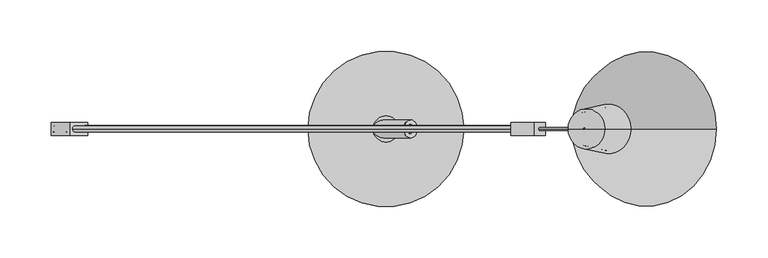
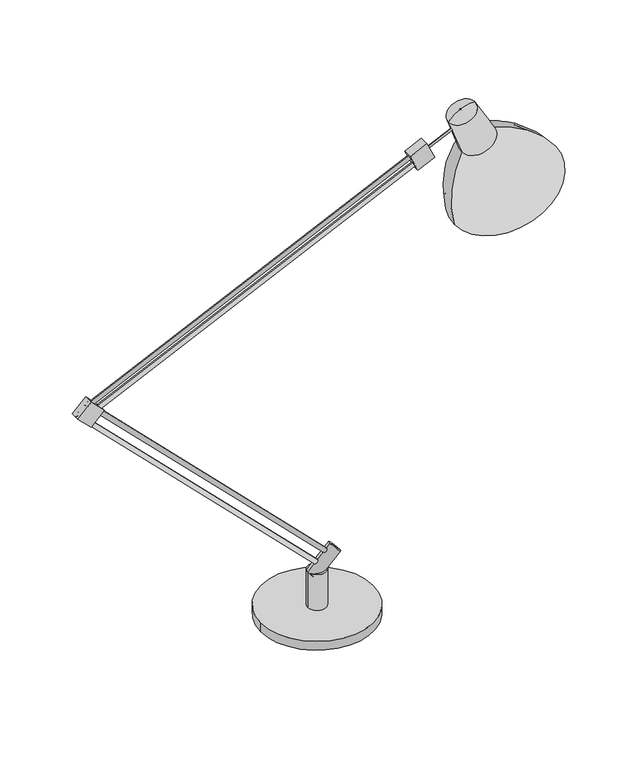
"""IFC4 building model written with IfcOpenShell, lengths in millimetres: light fixture geometry."""

import ifcopenshell
import ifcopenshell.guid

model = None  # the IFC model being written
_history = None  # IfcOwnerHistory: only IFC2X3 demands one
_inside = {}  # id of a spatial element -> (the spatial element, [elements in it])
_under = {}  # id of a project, library or spatial element -> (it, [spatial elements below it])
_declared = {}  # id of a project -> (the project, [libraries it declares])
_typed = {}  # id of a type object -> (the type object, [elements of that type])
_made_of = {}  # id of a material, layer set ... -> (it, [elements and type objects made of it])


def new_model(schema):
    """Start an empty IFC model of exactly this schema.

    Asked for "IFC4X3", IfcOpenShell would pick the latest addendum, in which some entities
    have other attributes; the version numbers below select the first issue.
    IFC2X3 requires an IfcOwnerHistory on every rooted entity: one is made here for all.
    """
    global model, _history
    if schema == "IFC4X3":
        model = ifcopenshell.file(schema_version=(4, 3, 0, 0))
    else:
        model = ifcopenshell.file(schema=schema)
    _inside.clear()
    _under.clear()
    _declared.clear()
    _typed.clear()
    _made_of.clear()
    _history = None
    if model.schema == "IFC2X3":
        org = make("IfcOrganization", Name="unknown")
        user = make(
            "IfcPersonAndOrganization",
            ThePerson=make("IfcPerson", FamilyName="unknown"),
            TheOrganization=org,
        )
        app = make(
            "IfcApplication",
            ApplicationDeveloper=org,
            Version="unknown",
            ApplicationFullName="unknown",
            ApplicationIdentifier="unknown",
        )
        _history = make(
            "IfcOwnerHistory",
            OwningUser=user,
            OwningApplication=app,
            ChangeAction="ADDED",
            CreationDate=0,
        )
    return model


def make(cls, **values):
    """One entity of the class cls with the attributes given. An attribute that is None is left unset."""
    return model.create_entity(
        cls, **{name: value for name, value in values.items() if value is not None}
    )


def rooted(cls, **values):
    """An entity with a GlobalId (a new one), such as an element, a storey or a relation."""
    return make(cls, GlobalId=ifcopenshell.guid.new(), OwnerHistory=_history, **values)


def si_unit(unit_type, name, prefix=None):
    """IfcSIUnit, for example si_unit("LENGTHUNIT", "METRE", prefix="MILLI")."""
    return make("IfcSIUnit", UnitType=unit_type, Prefix=prefix, Name=name)


def assignment(units):
    """IfcUnitAssignment: the units of a project."""
    return None if units is None else make("IfcUnitAssignment", Units=units)


def point(xyz):
    """IfcCartesianPoint."""
    return None if xyz is None else make("IfcCartesianPoint", Coordinates=xyz)


def direction(xyz):
    """IfcDirection."""
    return None if xyz is None else make("IfcDirection", DirectionRatios=xyz)


def frame(location, z_axis=None, x_axis=None):
    """IfcAxis2Placement3D, a coordinate frame: its origin and axes. An axis left out is left unset."""
    return make(
        "IfcAxis2Placement3D",
        Location=point(location),
        Axis=direction(z_axis),
        RefDirection=direction(x_axis),
    )


def frame_2d(location, x_axis=None):
    """IfcAxis2Placement2D, a coordinate frame in the plane: its origin and x axis."""
    return make(
        "IfcAxis2Placement2D", Location=point(location), RefDirection=direction(x_axis)
    )


def origin():
    """The frame at (0, 0, 0) with its axes left unset."""
    return frame((0.0, 0.0, 0.0))


def origin_with_axes():
    """The frame at (0, 0, 0) with the z axis (0, 0, 1) and the x axis (1, 0, 0) written out."""
    return frame((0.0, 0.0, 0.0), z_axis=(0.0, 0.0, 1.0), x_axis=(1.0, 0.0, 0.0))


def origin_2d():
    """The frame at (0, 0) in the plane with its x axis left unset."""
    return frame_2d((0.0, 0.0))


def place(relative_to, where):
    """IfcLocalPlacement: puts the frame where relative to a parent placement (None: the world)."""
    return make(
        "IfcLocalPlacement", PlacementRelTo=relative_to, RelativePlacement=where
    )


def context(
    kind, dimensions, precision=None, world=None, true_north=None, identifier=None
):
    """IfcGeometricRepresentationContext, for example the 3D "Model" context."""
    return make(
        "IfcGeometricRepresentationContext",
        ContextIdentifier=identifier,
        ContextType=kind,
        CoordinateSpaceDimension=dimensions,
        Precision=precision,
        WorldCoordinateSystem=world,
        TrueNorth=true_north,
    )


def project(units=None, contexts=None):
    """IfcProject with its units and contexts."""
    return rooted(
        "IfcProject",
        Name="project",
        RepresentationContexts=contexts,
        UnitsInContext=assignment(units),
    )


def spatial(cls, under=None, at=None, **own):
    """A site, building, storey or space (cls), placed at a placement, below another one or the project."""
    s = rooted(cls, ObjectPlacement=at, **own)
    if under is not None:
        _under.setdefault(under.id(), (under, []))[1].append(s)
    return s


def polyline(points):
    """IfcPolyline through the points."""
    return make("IfcPolyline", Points=[point(p) for p in points])


def circle_curve(where, radius):
    """IfcCircle in the frame where."""
    return make("IfcCircle", Position=where, Radius=radius)


def ellipse_curve(where, semi_axis1, semi_axis2):
    """IfcEllipse in the frame where."""
    return make(
        "IfcEllipse", Position=where, SemiAxis1=semi_axis1, SemiAxis2=semi_axis2
    )


def trimmed(basis, trim1, trim2, sense, master):
    """IfcTrimmedCurve: the piece of a basis curve between two trims."""
    return make(
        "IfcTrimmedCurve",
        BasisCurve=basis,
        Trim1=trim1,
        Trim2=trim2,
        SenseAgreement=sense,
        MasterRepresentation=master,
    )


def segment(curve, same_sense, transition):
    """IfcCompositeCurveSegment."""
    return make(
        "IfcCompositeCurveSegment",
        Transition=transition,
        SameSense=same_sense,
        ParentCurve=curve,
    )


def composite_curve(segments, self_intersect=None):
    """IfcCompositeCurve: segments joined end to end."""
    return make("IfcCompositeCurve", Segments=segments, SelfIntersect=self_intersect)


def outline(outer, holes=None, kind="AREA"):
    """IfcArbitraryClosedProfileDef: a profile drawn as a closed curve; with holes, ...WithVoids."""
    if holes is None:
        return make("IfcArbitraryClosedProfileDef", ProfileType=kind, OuterCurve=outer)
    return make(
        "IfcArbitraryProfileDefWithVoids",
        ProfileType=kind,
        OuterCurve=outer,
        InnerCurves=holes,
    )


def extrude(swept, where, along, depth):
    """IfcExtrudedAreaSolid: the profile swept, set in the frame where, extruded along a direction by depth."""
    return make(
        "IfcExtrudedAreaSolid",
        SweptArea=swept,
        Position=where,
        ExtrudedDirection=direction(along),
        Depth=depth,
    )


def shape(context_of_items, identifier, shape_type, items):
    """IfcShapeRepresentation: the items that make up one representation, for example the "Body"."""
    return make(
        "IfcShapeRepresentation",
        ContextOfItems=context_of_items,
        RepresentationIdentifier=identifier,
        RepresentationType=shape_type,
        Items=items,
    )


def source(mapping_origin, context_of_items, identifier, shape_type, items):
    """IfcRepresentationMap: a shape defined once, which mapped items show again and again."""
    return make(
        "IfcRepresentationMap",
        MappingOrigin=mapping_origin,
        MappedRepresentation=shape(context_of_items, identifier, shape_type, items),
    )


def transform(
    local_origin,
    x_axis=None,
    y_axis=None,
    z_axis=None,
    scale=None,
    scale2=None,
    scale3=None,
    uniform=True,
):
    """IfcCartesianTransformationOperator3D, or its non-uniform kind. x_axis, y_axis, z_axis: its Axis1, 2, 3."""
    if uniform:
        return make(
            "IfcCartesianTransformationOperator3D",
            Axis1=direction(x_axis),
            Axis2=direction(y_axis),
            LocalOrigin=point(local_origin),
            Scale=scale,
            Axis3=direction(z_axis),
        )
    return make(
        "IfcCartesianTransformationOperator3DnonUniform",
        Axis1=direction(x_axis),
        Axis2=direction(y_axis),
        LocalOrigin=point(local_origin),
        Scale=scale,
        Axis3=direction(z_axis),
        Scale2=scale2,
        Scale3=scale3,
    )


def mapped(mapping_source, mapping_target):
    """IfcMappedItem: shows the shape of a source again, moved by a transform."""
    return make(
        "IfcMappedItem", MappingSource=mapping_source, MappingTarget=mapping_target
    )


def made_of(thing, what):
    """Note that an element or type object is made of a material, layer set ...; save() writes the relation."""
    if what is not None:
        _made_of.setdefault(what.id(), (what, []))[1].append(thing)
    return thing


def element(
    cls,
    number,
    at=None,
    inside=None,
    cuts=None,
    type_object=None,
    material=None,
    context=None,
    identifier="Body",
    shape_type=None,
    held_by="IfcProductDefinitionShape",
    body=None,
    shapes=None,
    **own,
):
    """One element of the class cls, such as IfcWall. Its Tag is "e" and its number.

    at: its placement. inside: the storey or other place that contains it. cuts: it is an
    opening in that element (IfcRelVoidsElement). A single representation is given by context,
    identifier, shape_type and body (its items); several are given by shapes. held_by: the class
    of the entity that holds the representations. save() writes the other relations.
    """
    e = rooted(cls, Tag="e%d" % number, ObjectPlacement=at, **own)
    if body is not None:
        shapes = [shape(context, identifier, shape_type, body)]
    if shapes is not None:
        e.Representation = make(held_by, Representations=shapes)
    if inside is not None:
        _inside.setdefault(inside.id(), (inside, []))[1].append(e)
    if cuts is not None:
        rooted(
            "IfcRelVoidsElement", RelatingBuildingElement=cuts, RelatedOpeningElement=e
        )
    if type_object is not None:
        _typed.setdefault(type_object.id(), (type_object, []))[1].append(e)
    return made_of(e, material)


def aggregate(whole, parts):
    """IfcRelAggregates: a whole, such as a stair, and the parts it consists of."""
    return rooted("IfcRelAggregates", RelatingObject=whole, RelatedObjects=parts)


def save(model, path):
    """Write the relations noted so far, then the file.

    IfcRelAggregates (storeys below a building ...), IfcRelContainedInSpatialStructure (elements
    in a storey), IfcRelDefinesByType, IfcRelAssociatesMaterial and IfcRelDeclares: one each for
    every whole, place, type object, material and project.
    """
    for whole, parts in _under.values():
        aggregate(whole, parts)
    for where, things in _inside.values():
        rooted(
            "IfcRelContainedInSpatialStructure",
            RelatedElements=things,
            RelatingStructure=where,
        )
    for kind, things in _typed.values():
        rooted("IfcRelDefinesByType", RelatedObjects=things, RelatingType=kind)
    for what, things in _made_of.values():
        rooted("IfcRelAssociatesMaterial", RelatedObjects=things, RelatingMaterial=what)
    for by, libraries in _declared.values():
        rooted("IfcRelDeclares", RelatingContext=by, RelatedDefinitions=libraries)
    model.write(path)


def plane_surface(at):
    """IfcPlane: the flat surface through the origin of the frame at, square to its z axis."""
    return make("IfcPlane", Position=at)


def cylinder_surface(at, radius):
    """IfcCylindricalSurface: all points at the distance radius from the z axis of the frame at."""
    return make("IfcCylindricalSurface", Position=at, Radius=radius)


def revolved_surface(curve, axis_point, axis_direction):
    """IfcSurfaceOfRevolution: the curve turned about the line through axis_point along axis_direction."""
    return make(
        "IfcSurfaceOfRevolution",
        SweptCurve=make("IfcArbitraryOpenProfileDef", ProfileType="CURVE", Curve=curve),
        AxisPosition=make("IfcAxis1Placement", Location=point(axis_point), Axis=direction(axis_direction)),
    )


def advanced_brep(points, edges, surfaces, faces):
    """IfcAdvancedBrep: a solid bounded by faces that lie on surfaces and meet in shared edges.

    An edge is (start, end): straight between two places in points (the first is 0);
    or (start, end, curve); or (start, end, curve, False) where it runs against its curve.
    A face is (place in surfaces, loops), or (place, loops, False) where it looks against
    its surface's normal. A loop lists edges by number (the first is 1), with a minus sign
    where the edge is run from its end to its start. The first loop is the outer one.
    """
    corners = [point(p) for p in points]
    vertices = [make("IfcVertexPoint", VertexGeometry=c) for c in corners]
    made = []
    for start, end, *more in edges:
        made.append(
            make(
                "IfcEdgeCurve",
                EdgeStart=vertices[start],
                EdgeEnd=vertices[end],
                EdgeGeometry=more[0] if more else make("IfcPolyline", Points=[corners[start], corners[end]]),
                SameSense=more[1] if len(more) > 1 else True,
            )
        )
    hull = []
    for where, loops, *sense in faces:
        bounds = []
        for j, loop in enumerate(loops):
            ring = [make("IfcOrientedEdge", EdgeElement=made[abs(k) - 1], Orientation=k > 0) for k in loop]
            bounds.append(
                make(
                    "IfcFaceOuterBound" if j == 0 else "IfcFaceBound",
                    Bound=make("IfcEdgeLoop", EdgeList=ring),
                    Orientation=True,
                )
            )
        hull.append(make("IfcAdvancedFace", Bounds=bounds, FaceSurface=surfaces[where], SameSense=sense[0] if sense else True))
    return make("IfcAdvancedBrep", Outer=make("IfcClosedShell", CfsFaces=hull))


def light_fixture_4844b612(model_context):
    return source(origin(), model_context, "Body", "SolidModel", [
        advanced_brep(
        [(323.1317321, 0.0, 555.0810324), (186.1348137, 0.0, 491.1983202), (195.9295385, 0.0, 591.5959935), (239.9267246, 0.0, 612.1122183), (321.1881543, 0.0, 553.9589072), (188.2437192, 0.0, 491.965899), (237.1689067, 0.0, 610.5199914), (198.9219463, 0.0, 592.6851409), (211.7689067, 0.0, 654.5140819), (181.547323, 0.0, 640.421526), (195.4961647, 0.0, 651.5995573), (194.2398953, 0.0, 651.0137493), (194.5181424, 0.0, 653.6969331), (193.2618729, 0.0, 653.111125), (213.940532, 0.0, 657.1216244), (178.1539358, 0.0, 640.4340605)],
        [
            (0, 1, circle_curve(frame((254.6332729, 0.0, 523.1396763), z_axis=(-0.4226182617406946, 0.0, 0.9063077870366523), x_axis=(-0.9063077870366523, 0.0, -0.4226182617406946)), 75.5796874)),
            (1, 2, circle_curve(frame((334.1432405, 0.0, 527.4353443), z_axis=(0.0, 1.0, 0.0), x_axis=(1.0, 0.0, 0.0)), 152.3798423)),
            (2, 3, circle_curve(frame((217.9281316, 0.0, 601.8541059), z_axis=(0.4226182617406946, 0.0, -0.9063077870366523), x_axis=(-0.9063077870366523, 0.0, -0.4226182617406946)), 24.2727619)),
            (3, 0, circle_curve(frame((200.2345783, 0.0, 464.9927096), z_axis=(0.0, 1.0, 0.0), x_axis=(-0.6427876096865476, 0.0, -0.7660444431189712)), 152.3798423)),
            (1, 0, circle_curve(frame((254.6332729, 0.0, 523.1396763), z_axis=(-0.4226182617406946, 0.0, 0.9063077870366523), x_axis=(-0.9063077870366523, 0.0, -0.4226182617406946)), 75.5796874)),
            (3, 2, circle_curve(frame((217.9281316, 0.0, 601.8541059), z_axis=(0.4226182617406946, 0.0, -0.9063077870366523), x_axis=(-0.9063077870366523, 0.0, -0.4226182617406946)), 24.2727619)),
            (4, 5, circle_curve(frame((254.7159368, 0.0, 522.9624031), z_axis=(-0.4226182617406946, 0.0, 0.9063077870366523), x_axis=(-0.9063077870366523, 0.0, -0.4226182617406946)), 73.3439771)),
            (5, 1),
            (0, 4),
            (5, 4, circle_curve(frame((254.7159368, 0.0, 522.9624031), z_axis=(-0.4226182617406946, 0.0, 0.9063077870366523), x_axis=(-0.9063077870366523, 0.0, -0.4226182617406946)), 73.3439771)),
            (6, 7, circle_curve(frame((218.0454265, 0.0, 601.6025661), z_axis=(-0.4226182617406946, 0.0, 0.9063077870366523), x_axis=(-0.9063077870366523, 0.0, -0.4226182617406946)), 21.1004258)),
            (7, 5, circle_curve(frame((336.5004074, 0.0, 527.1734369), z_axis=(0.0, -1.0, 0.0), x_axis=(1.0, 0.0, 0.0)), 152.3798423)),
            (4, 6, circle_curve(frame((198.9200533, 0.0, 463.0186641), z_axis=(0.0, -1.0, 0.0), x_axis=(-0.6427876096865476, 0.0, -0.7660444431189712)), 152.3798423)),
            (7, 6, circle_curve(frame((218.0454265, 0.0, 601.6025661), z_axis=(-0.4226182617406946, 0.0, 0.9063077870366523), x_axis=(-0.9063077870366523, 0.0, -0.4226182617406946)), 21.1004258)),
            (8, 9, circle_curve(frame((196.6581149, 0.0, 647.4678039), z_axis=(-0.4226182617406946, 0.0, 0.9063077870366523), x_axis=(-0.9063077870366523, 0.0, -0.4226182617406946)), 16.672914)),
            (9, 7),
            (6, 8),
            (9, 8, circle_curve(frame((196.6581149, 0.0, 647.4678039), z_axis=(-0.4226182617406946, 0.0, 0.9063077870366523), x_axis=(-0.9063077870366523, 0.0, -0.4226182617406946)), 16.672914)),
            (10, 11, circle_curve(frame((194.86803, 0.0, 651.3066533), z_axis=(-0.4226182617406946, 0.0, 0.9063077870366523), x_axis=(-0.9063077870366523, 0.0, -0.4226182617406946)), 0.69307)),
            (11, 9, circle_curve(frame((201.2583854, 0.0, 629.7027384), z_axis=(0.0, -1.0, 0.0), x_axis=(1.0, 0.0, 0.0)), 22.4369871)),
            (8, 10, circle_curve(frame((207.3099477, 0.0, 632.5246282), z_axis=(0.0, -1.0, 0.0), x_axis=(-0.6427876096865476, 0.0, -0.7660444431189712)), 22.4369871)),
            (11, 10, circle_curve(frame((194.86803, 0.0, 651.3066533), z_axis=(-0.4226182617406946, 0.0, 0.9063077870366523), x_axis=(-0.9063077870366523, 0.0, -0.4226182617406946)), 0.69307)),
            (12, 13, circle_curve(frame((193.8900076, 0.0, 653.404029), z_axis=(-0.4226182617406946, 0.0, 0.9063077870366523), x_axis=(-0.9063077870366523, 0.0, -0.4226182617406946)), 0.69307)),
            (13, 11),
            (10, 12),
            (13, 12, circle_curve(frame((193.8900076, 0.0, 653.404029), z_axis=(-0.4226182617406946, 0.0, 0.9063077870366523), x_axis=(-0.9063077870366523, 0.0, -0.4226182617406946)), 0.69307)),
            (14, 15, circle_curve(frame((196.0472339, 0.0, 648.7778424), z_axis=(-0.4226182617406946, 0.0, 0.9063077870366523), x_axis=(-0.9063077870366523, 0.0, -0.4226182617406946)), 19.74307)),
            (15, 13, circle_curve(frame((205.2310579, 0.0, 623.5058043), z_axis=(0.0, 1.0, 0.0), x_axis=(1.0, 0.0, 0.0)), 31.9333118)),
            (12, 14, circle_curve(frame((209.5034899, 0.0, 625.4980721), z_axis=(0.0, 1.0, 0.0), x_axis=(-0.6427876096865476, 0.0, -0.7660444431189712)), 31.9333118)),
            (15, 14, circle_curve(frame((196.0472339, 0.0, 648.7778424), z_axis=(-0.4226182617406946, 0.0, 0.9063077870366523), x_axis=(-0.9063077870366523, 0.0, -0.4226182617406946)), 19.74307)),
            (2, 15),
            (14, 3),
        ],
        [
            revolved_surface(trimmed(ellipse_curve(frame((334.1432405, 0.0, 527.4353443), z_axis=(0.0, -1.0, 0.0), x_axis=(1.0, 0.0, 0.0)), 152.3798423, 152.3798423), [point((195.9295385, 0.0, 591.5959935))], [point((186.1348137, 0.0, 491.1983202))], True, "CARTESIAN"), (147.4850388, 0.0, 752.9198057), (0.4226182617406946, 0.0, -0.9063077870366523)),
            revolved_surface(polyline([(186.1348137, 0.0, 491.1983202), (188.2437192, 0.0, 491.965899)]), (147.4850388, 0.0, 752.9198057), (0.4226182617406946, 0.0, -0.9063077870366523)),
            revolved_surface(trimmed(ellipse_curve(frame((336.5004074, 0.0, 527.1734369), z_axis=(0.0, 1.0, 0.0), x_axis=(1.0, 0.0, 0.0)), 152.3798423, 152.3798423), [point((188.2437192, 0.0, 491.965899))], [point((198.9219463, 0.0, 592.6851409))], True, "CARTESIAN"), (147.4850388, 0.0, 752.9198057), (0.4226182617406946, 0.0, -0.9063077870366523)),
            revolved_surface(polyline([(198.9219463, 0.0, 592.6851409), (181.547323, 0.0, 640.421526)]), (147.4850388, 0.0, 752.9198057), (0.4226182617406946, 0.0, -0.9063077870366523)),
            revolved_surface(trimmed(ellipse_curve(frame((201.2583854, 0.0, 629.7027384), z_axis=(0.0, 1.0, 0.0), x_axis=(1.0, 0.0, 0.0)), 22.4369871, 22.4369871), [point((181.547323, 0.0, 640.421526))], [point((194.2398953, 0.0, 651.0137493))], True, "CARTESIAN"), (147.4850388, 0.0, 752.9198057), (0.4226182617406946, 0.0, -0.9063077870366523)),
            revolved_surface(polyline([(194.23989521535498, 0.0, 651.0137492186036), (193.26187283521244, 0.0, 653.1111249812326)]), (147.4850388, 0.0, 752.9198057), (0.4226182617406946, 0.0, -0.9063077870366523)),
            revolved_surface(trimmed(ellipse_curve(frame((205.2310579, 0.0, 623.5058043), z_axis=(0.0, -1.0, 0.0), x_axis=(1.0, 0.0, 0.0)), 31.9333118, 31.9333118), [point((193.2618729, 0.0, 653.111125))], [point((178.1539358, 0.0, 640.4340605))], True, "CARTESIAN"), (147.4850388, 0.0, 752.9198057), (0.4226182617406946, 0.0, -0.9063077870366523)),
            revolved_surface(polyline([(178.1539358, 0.0, 640.4340605), (195.9295385, 0.0, 591.5959935)]), (147.4850388, 0.0, 752.9198057), (0.4226182617406946, 0.0, -0.9063077870366523)),
        ],
        [
            (0, [[1, 2, 3, 4]]),
            (0, [[5, -4, 6, -2]]),
            (1, [[7, 8, -1, 9]]),
            (1, [[10, -9, -5, -8]]),
            (2, [[11, 12, -7, 13]]),
            (2, [[14, -13, -10, -12]]),
            (3, [[15, 16, -11, 17]]),
            (3, [[18, -17, -14, -16]]),
            (4, [[19, 20, -15, 21]]),
            (4, [[22, -21, -18, -20]]),
            (5, [[23, 24, -19, 25]]),
            (5, [[26, -25, -22, -24]]),
            (6, [[27, 28, -23, 29]]),
            (6, [[30, -29, -26, -28]]),
            (7, [[-3, 31, -27, 32]]),
            (7, [[-6, -32, -30, -31]]),
        ],
    ),
        advanced_brep(
        [(185.4701526, 0.0, 628.751947), (184.1283396, 0.0, 631.6294742), (184.7992461, 0.0, 630.1907106), (150.9398259, 0.0, 612.6501912), (149.5980129, 0.0, 615.5277185), (150.2689194, 0.0, 614.0889548)],
        [
            (0, 1, circle_curve(frame((184.7992461, 0.0, 630.1907106), z_axis=(0.9063077870366512, 0.0, 0.4226182617406969), x_axis=(-0.4226182617406969, 0.0, 0.9063077870366512)), 1.5875)),
            (1, 2),
            (2, 0),
            (1, 0, circle_curve(frame((184.7992461, 0.0, 630.1907106), z_axis=(0.9063077870366512, 0.0, 0.4226182617406969), x_axis=(-0.4226182617406969, 0.0, 0.9063077870366512)), 1.5875)),
            (3, 4, circle_curve(frame((150.2689194, 0.0, 614.0889548), z_axis=(0.9063077870366512, 0.0, 0.4226182617406969), x_axis=(-0.4226182617406969, 0.0, 0.9063077870366512)), 1.5875)),
            (4, 1),
            (0, 3),
            (4, 3, circle_curve(frame((150.2689194, 0.0, 614.0889548), z_axis=(0.9063077870366512, 0.0, 0.4226182617406969), x_axis=(-0.4226182617406969, 0.0, 0.9063077870366512)), 1.5875)),
            (5, 4),
            (3, 5),
        ],
        [
            plane_surface(frame((184.7992461, 0.0, 630.1907106), z_axis=(0.9063077870366512, 0.0, 0.4226182617406969), x_axis=(-0.4226182617406969, 0.0, 0.9063077870366512))),
            cylinder_surface(frame((189.6922676, 0.0, 632.472364), z_axis=(-0.9063077870366512, 0.0, -0.4226182617406969), x_axis=(-0.4226182617406969, 0.0, 0.9063077870366512)), 1.5875),
            plane_surface(frame((150.2689194, 0.0, 614.0889548), z_axis=(-0.9063077870366512, 0.0, -0.4226182617406969), x_axis=(-0.4226182617406969, 0.0, 0.9063077870366512))),
        ],
        [
            (0, [[1, 2, 3]]),
            (0, [[4, -3, -2]]),
            (1, [[5, 6, -1, 7]]),
            (1, [[8, -7, -4, -6]]),
            (2, [[9, -5, 10]]),
            (2, [[-10, -8, -9]]),
        ],
    ),
        extrude(outline(polyline([(0.0, -25.1467906), (0.0, 0.0), (12.7, 0.0), (12.7, -25.1467906), (0.0, -25.1467906)])), frame((133.1279926, -6.35, 591.3454151), z_axis=(-0.42261826174069506, 0.0, 0.906307787036652), x_axis=(0.0, 1.0, 0.0)), (0.0, 0.0, 1.0), 25.4),
        advanced_brep(
        [(141.620863, 0.0, 602.3121594), (142.9626776, 0.0, 599.4346289), (140.2790485, 0.0, 605.18969), (-297.1050895, 0.0, 401.2341168), (-294.4214605, 0.0, 395.4790558), (-295.763275, 0.0, 398.3565863)],
        [
            (0, 1),
            (1, 2, circle_curve(frame((141.620863, 0.0, 602.3121594), z_axis=(0.9063077870366516, 0.0, 0.42261826174069606), x_axis=(0.42261826174069606, 0.0, -0.9063077870366516)), 3.1750037)),
            (2, 0),
            (2, 1, circle_curve(frame((141.620863, 0.0, 602.3121594), z_axis=(0.9063077870366516, 0.0, 0.42261826174069606), x_axis=(0.42261826174069606, 0.0, -0.9063077870366516)), 3.1750037)),
            (3, 4, circle_curve(frame((-295.763275, 0.0, 398.3565863), z_axis=(-0.9063077870366516, 0.0, -0.42261826174069606), x_axis=(0.42261826174069606, 0.0, -0.9063077870366516)), 3.1750037)),
            (4, 5),
            (5, 3),
            (4, 3, circle_curve(frame((-295.763275, 0.0, 398.3565863), z_axis=(-0.9063077870366516, 0.0, -0.42261826174069606), x_axis=(0.42261826174069606, 0.0, -0.9063077870366516)), 3.1750037)),
            (1, 4),
            (3, 2),
        ],
        [
            plane_surface(frame((141.620863, 0.0, 602.3121594), z_axis=(0.9063077870366516, 0.0, 0.42261826174069606), x_axis=(0.42261826174069606, 0.0, -0.9063077870366516))),
            plane_surface(frame((-295.763275, 0.0, 398.3565863), z_axis=(-0.9063077870366516, 0.0, -0.42261826174069606), x_axis=(0.42261826174069606, 0.0, -0.9063077870366516))),
            cylinder_surface(frame((-295.763275, 0.0, 398.3565863), z_axis=(0.9063077870366516, 0.0, 0.42261826174069606), x_axis=(0.42261826174069606, 0.0, -0.9063077870366516)), 3.1750037),
        ],
        [
            (0, [[1, 2, 3]]),
            (0, [[-3, 4, -1]]),
            (1, [[5, 6, 7]]),
            (1, [[8, -7, -6]]),
            (2, [[-2, 9, -5, 10]]),
            (2, [[-4, -10, -8, -9]]),
        ],
    ),
        advanced_brep(
        [(134.5644626, 0.0, 609.7426468), (132.0426791, 0.0, 615.150629), (133.3035708, 0.0, 612.4466379), (-303.8038477, 0.0, 405.3281466), (-306.3256312, 0.0, 410.7361288), (-304.0805672, 0.0, 408.4910648)],
        [
            (0, 1, circle_curve(frame((133.3035708, 0.0, 612.4466379), z_axis=(0.9063077870366515, 0.0, 0.42261826174069633), x_axis=(-0.42261826174069633, 0.0, 0.9063077870366515)), 2.9835241)),
            (1, 2),
            (2, 0),
            (1, 0, circle_curve(frame((133.3035708, 0.0, 612.4466379), z_axis=(0.9063077870366515, 0.0, 0.42261826174069633), x_axis=(-0.42261826174069633, 0.0, 0.9063077870366515)), 2.9835241)),
            (3, 4, circle_curve(frame((-305.0647395, 0.0, 408.0321377), z_axis=(0.9063077870366515, 0.0, 0.42261826174069633), x_axis=(-0.42261826174069633, 0.0, 0.9063077870366515)), 2.9835241)),
            (4, 1),
            (0, 3),
            (4, 3, circle_curve(frame((-305.0647395, 0.0, 408.0321377), z_axis=(0.9063077870366515, 0.0, 0.42261826174069633), x_axis=(-0.42261826174069633, 0.0, 0.9063077870366515)), 2.9835241)),
            (5, 4),
            (3, 5),
        ],
        [
            plane_surface(frame((133.3035708, 0.0, 612.4466379), z_axis=(0.9063077870366515, 0.0, 0.42261826174069633), x_axis=(-0.42261826174069633, 0.0, 0.9063077870366515))),
            cylinder_surface(frame((-307.9453985, 0.0, 406.6888643), z_axis=(-0.9063077870366515, 0.0, -0.42261826174069633), x_axis=(-0.42261826174069633, 0.0, 0.9063077870366515)), 2.9835241),
            revolved_surface(polyline([(-306.3256312, 0.0, 410.7361288), (-304.0805672, 0.0, 408.4910648)]), (-307.9453985, 0.0, 406.6888643), (-0.9063077870366515, 0.0, -0.42261826174069633)),
        ],
        [
            (0, [[1, 2, 3]]),
            (0, [[4, -3, -2]]),
            (1, [[5, 6, -1, 7]]),
            (1, [[8, -7, -4, -6]]),
            (2, [[9, -5, 10]]),
            (2, [[-10, -8, -9]]),
        ],
    ),
        extrude(outline(polyline([(0.0, -25.3999999), (0.0, 0.0), (12.7, 0.0), (12.7, -25.3999999), (0.0, -25.3999999)])), frame((-327.5068559, -6.35, 395.996329), z_axis=(0.7071067811865582, 0.0, 0.7071067811865369), x_axis=(0.0, 1.0, 0.0)), (0.0, 0.0, 1.0), 25.4),
        advanced_brep(
        [(8.2921221, 0.0, 84.4921221), (12.7822502, 0.0, 88.9822502), (10.5371861, 0.0, 86.7371861), (-315.0856816, 0.0, 407.8699257), (-310.5955535, 0.0, 412.3600538), (-312.8406175, 0.0, 410.1149898)],
        [
            (0, 1, circle_curve(frame((10.5371861, 0.0, 86.7371861), z_axis=(0.7071067811865436, 0.0, -0.7071067811865515), x_axis=(0.7071067811865515, 0.0, 0.7071067811865436)), 3.175)),
            (1, 2),
            (2, 0),
            (1, 0, circle_curve(frame((10.5371861, 0.0, 86.7371861), z_axis=(0.7071067811865436, 0.0, -0.7071067811865515), x_axis=(0.7071067811865515, 0.0, 0.7071067811865436)), 3.175)),
            (3, 4, circle_curve(frame((-312.8406175, 0.0, 410.1149898), z_axis=(0.7071067811865436, 0.0, -0.7071067811865515), x_axis=(0.7071067811865515, 0.0, 0.7071067811865436)), 3.175)),
            (4, 1),
            (0, 3),
            (4, 3, circle_curve(frame((-312.8406175, 0.0, 410.1149898), z_axis=(0.7071067811865436, 0.0, -0.7071067811865515), x_axis=(0.7071067811865515, 0.0, 0.7071067811865436)), 3.175)),
            (5, 4),
            (3, 5),
        ],
        [
            plane_surface(frame((10.5371861, 0.0, 86.7371861), z_axis=(0.7071067811865436, 0.0, -0.7071067811865515), x_axis=(0.7071067811865515, 0.0, 0.7071067811865436))),
            cylinder_surface(frame((13.7727964, 0.0, 83.5015758), z_axis=(-0.7071067811865436, 0.0, 0.7071067811865515), x_axis=(0.7071067811865515, 0.0, 0.7071067811865436)), 3.175),
            plane_surface(frame((-312.8406175, 0.0, 410.1149898), z_axis=(-0.7071067811865436, 0.0, 0.7071067811865515), x_axis=(0.7071067811865515, 0.0, 0.7071067811865436))),
        ],
        [
            (0, [[1, 2, 3]]),
            (0, [[4, -3, -2]]),
            (1, [[5, 6, -1, 7]]),
            (1, [[8, -7, -4, -6]]),
            (2, [[9, -5, 10]]),
            (2, [[-10, -8, -9]]),
        ],
    ),
        advanced_brep(
        [(0.2724925, 0.0, 77.1972367), (-4.2176356, 0.0, 72.7071087), (-327.5068559, 0.0, 395.996329), (-323.0167279, 0.0, 400.4864571), (-1.9725715, 0.0, 74.9521727), (-325.2617919, 0.0, 398.2413931)],
        [
            (0, 1, circle_curve(frame((-1.9725715, 0.0, 74.9521727), z_axis=(-0.70710678118654, 0.0, 0.707106781186555), x_axis=(-0.707106781186555, 0.0, -0.70710678118654)), 3.175)),
            (1, 2),
            (2, 3, circle_curve(frame((-325.2617919, 0.0, 398.2413931), z_axis=(0.70710678118654, 0.0, -0.707106781186555), x_axis=(-0.707106781186555, 0.0, -0.70710678118654)), 3.175)),
            (3, 0),
            (1, 0, circle_curve(frame((-1.9725715, 0.0, 74.9521727), z_axis=(-0.70710678118654, 0.0, 0.707106781186555), x_axis=(-0.707106781186555, 0.0, -0.70710678118654)), 3.175)),
            (3, 2, circle_curve(frame((-325.2617919, 0.0, 398.2413931), z_axis=(0.70710678118654, 0.0, -0.707106781186555), x_axis=(-0.707106781186555, 0.0, -0.70710678118654)), 3.175)),
            (4, 1),
            (0, 4),
            (2, 5),
            (5, 3),
        ],
        [
            cylinder_surface(frame((-1.9725715, 0.0, 74.9521727), z_axis=(0.70710678118654, 0.0, -0.707106781186555), x_axis=(-0.707106781186555, 0.0, -0.70710678118654)), 3.175),
            plane_surface(frame((-1.9725715, 0.0, 74.9521727), z_axis=(0.70710678118654, 0.0, -0.707106781186555), x_axis=(-0.707106781186555, 0.0, -0.70710678118654))),
            plane_surface(frame((-325.2617919, 0.0, 398.2413931), z_axis=(-0.70710678118654, 0.0, 0.707106781186555), x_axis=(-0.707106781186555, 0.0, -0.70710678118654))),
        ],
        [
            (0, [[1, 2, 3, 4]]),
            (0, [[5, -4, 6, -2]]),
            (1, [[7, -1, 8]]),
            (1, [[-8, -5, -7]]),
            (2, [[-3, 9, 10]]),
            (2, [[-6, -10, -9]]),
        ],
    ),
        advanced_brep(
        [(0.0, 0.0, 50.8), (-12.7, 0.0, 63.5), (17.6083644, 0.0, 93.8083644), (30.3083644, 0.0, 81.1083644), (0.0, 0.0, 57.5351921), (-5.9648079, 0.0, 63.5), (26.9407684, 0.0, 84.4759605), (20.9759605, 0.0, 90.4407684)],
        [
            (0, 1, circle_curve(frame((-6.35, 0.0, 57.15), z_axis=(0.7071067811865511, 0.0, 0.707106781186544), x_axis=(-0.707106781186544, 0.0, 0.7071067811865511)), 8.9802561)),
            (1, 2),
            (2, 3, circle_curve(frame((23.9583644, 0.0, 87.4583644), z_axis=(-0.7071067811865511, 0.0, -0.707106781186544), x_axis=(-0.707106781186544, 0.0, 0.7071067811865511)), 8.9802561)),
            (3, 0),
            (1, 0, circle_curve(frame((-6.35, 0.0, 57.15), z_axis=(0.7071067811865511, 0.0, 0.707106781186544), x_axis=(-0.707106781186544, 0.0, 0.7071067811865511)), 8.9802561)),
            (3, 2, circle_curve(frame((23.9583644, 0.0, 87.4583644), z_axis=(-0.7071067811865511, 0.0, -0.707106781186544), x_axis=(-0.707106781186544, 0.0, 0.7071067811865511)), 8.9802561)),
            (4, 5, circle_curve(frame((-2.982404, 0.0, 60.517596), z_axis=(0.7071067811865511, 0.0, 0.707106781186544), x_axis=(-0.707106781186544, 0.0, 0.7071067811865511)), 4.2177561)),
            (5, 1),
            (0, 4),
            (5, 4, circle_curve(frame((-2.982404, 0.0, 60.517596), z_axis=(0.7071067811865511, 0.0, 0.707106781186544), x_axis=(-0.707106781186544, 0.0, 0.7071067811865511)), 4.2177561)),
            (6, 7, circle_curve(frame((23.9583644, 0.0, 87.4583644), z_axis=(0.7071067811865511, 0.0, 0.707106781186544), x_axis=(-0.707106781186544, 0.0, 0.7071067811865511)), 4.2177561)),
            (7, 5),
            (4, 6),
            (7, 6, circle_curve(frame((23.9583644, 0.0, 87.4583644), z_axis=(0.7071067811865511, 0.0, 0.707106781186544), x_axis=(-0.707106781186544, 0.0, 0.7071067811865511)), 4.2177561)),
            (2, 7),
            (6, 3),
        ],
        [
            cylinder_surface(frame((-24.3105122, 0.0, 39.1894878), z_axis=(-0.7071067811865511, 0.0, -0.707106781186544), x_axis=(-0.707106781186544, 0.0, 0.7071067811865511)), 8.9802561),
            revolved_surface(polyline([(-12.7, 0.0, 63.5), (-5.9648079, 0.0, 63.5)]), (-24.3105122, 0.0, 39.1894878), (-0.7071067811865511, 0.0, -0.707106781186544)),
            revolved_surface(polyline([(-5.964807939700805, 0.0, 63.49999993970084), (20.975960510299352, 0.0, 90.44076838970074)]), (-24.3105122, 0.0, 39.1894878), (-0.7071067811865511, 0.0, -0.707106781186544)),
            plane_surface(frame((23.9583644, 0.0, 87.4583644), z_axis=(0.7071067811865511, 0.0, 0.707106781186544), x_axis=(-0.707106781186544, 0.0, 0.7071067811865511))),
        ],
        [
            (0, [[1, 2, 3, 4]]),
            (0, [[5, -4, 6, -2]]),
            (1, [[7, 8, -1, 9]]),
            (1, [[10, -9, -5, -8]]),
            (2, [[11, 12, -7, 13]]),
            (2, [[14, -13, -10, -12]]),
            (3, [[-3, 15, -11, 16]]),
            (3, [[-6, -16, -14, -15]]),
        ],
    ),
        advanced_brep(
        [(12.7, 0.0, 12.7), (-12.7, 0.0, 12.7), (-12.7, 0.0, 63.5), (12.7, 0.0, 63.5), (0.0, 0.0, 12.7), (0.0, 0.0, 63.5)],
        [
            (0, 1, circle_curve(frame((0.0, 0.0, 12.7), z_axis=(0.0, 0.0, 1.0), x_axis=(-1.0, 0.0, 0.0)), 12.7)),
            (1, 2),
            (2, 3, circle_curve(frame((0.0, 0.0, 63.5), z_axis=(0.0, 0.0, -1.0), x_axis=(-1.0, 0.0, 0.0)), 12.7)),
            (3, 0),
            (1, 0, circle_curve(frame((0.0, 0.0, 12.7), z_axis=(0.0, 0.0, 1.0), x_axis=(-1.0, 0.0, 0.0)), 12.7)),
            (3, 2, circle_curve(frame((0.0, 0.0, 63.5), z_axis=(0.0, 0.0, -1.0), x_axis=(-1.0, 0.0, 0.0)), 12.7)),
            (4, 1),
            (0, 4),
            (2, 5),
            (5, 3),
        ],
        [
            cylinder_surface(frame((0.0, 0.0, 215.9), z_axis=(0.0, 0.0, -1.0), x_axis=(-1.0, 0.0, 0.0)), 12.7),
            plane_surface(frame((0.0, 0.0, 12.7), z_axis=(0.0, 0.0, -1.0), x_axis=(-1.0, 0.0, 0.0))),
            plane_surface(frame((0.0, 0.0, 63.5), z_axis=(0.0, 0.0, 1.0), x_axis=(-1.0, 0.0, 0.0))),
        ],
        [
            (0, [[1, 2, 3, 4]]),
            (0, [[5, -4, 6, -2]]),
            (1, [[7, -1, 8]]),
            (1, [[-8, -5, -7]]),
            (2, [[-3, 9, 10]]),
            (2, [[-6, -10, -9]]),
        ],
    ),
        extrude(outline(composite_curve([segment(trimmed(circle_curve(origin_2d(), 76.2), [point((-76.2, 0.0))], [point((76.2, 0.0))], False, "CARTESIAN"), True, "CONTINUOUS"), segment(trimmed(circle_curve(origin_2d(), 76.2), [point((76.2, 0.0))], [point((-76.2, 0.0))], False, "CARTESIAN"), True, "CONTINUOUS")], self_intersect=False)), origin_with_axes(), (0.0, 0.0, 1.0), 12.7),
    ])


if __name__ == "__main__":
    model = new_model("IFC4")
    model_context = context("Model", 3, world=origin())
    ifc_project = project(units=[si_unit("LENGTHUNIT", "METRE", prefix="MILLI")], contexts=[model_context])
    site = spatial("IfcSite", under=ifc_project)
    building = spatial("IfcBuilding", under=site)
    placement = place(None, origin())
    light_fixture_shape = light_fixture_4844b612(model_context)
    element("IfcLightFixture", 1, at=placement, inside=building, context=model_context, shape_type="MappedRepresentation", body=[
        mapped(light_fixture_shape, transform((0.0, 0.0, 0.0), x_axis=(1.0, 0.0, 0.0), y_axis=(0.0, 1.0, 0.0), z_axis=(0.0, 0.0, 1.0))),
    ])
    save(model, "model.ifc")
